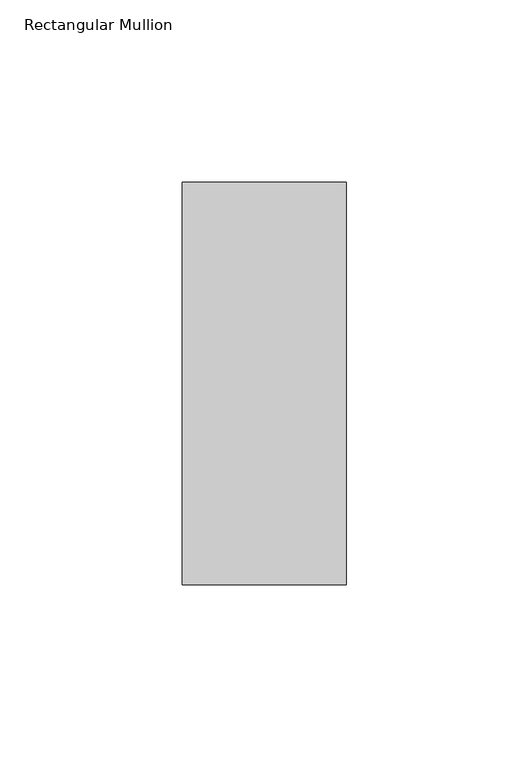
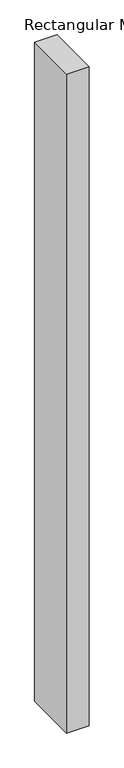
"""IFC4 building model written with IfcOpenShell, lengths in millimetres: member geometry, Rectangular Mullion."""

from ifc_helpers import new_model, si_unit, frame, origin, place, context, project, spatial, polyline, outline, extrude, source, transform, mapped, element, save


def rectangular_mullion_b4bfe86e(model_context):
    return source(origin(), model_context, "Body", "SweptSolid", [
        extrude(outline(polyline([(-45.0, 70.7), (0.0, 70.7), (0.0, -39.7), (-45.0, -39.7), (-45.0, 70.7)])), frame((0.0, 0.0, -1394.2628906), z_axis=(0.0, 0.0, 1.0), x_axis=(1.0, 0.0, 0.0)), (0.0, 0.0, 1.0), 1394.2628906),
    ])


if __name__ == "__main__":
    model = new_model("IFC4")
    model_context = context("Model", 3, world=origin())
    ifc_project = project(units=[si_unit("LENGTHUNIT", "METRE", prefix="MILLI")], contexts=[model_context])
    site = spatial("IfcSite", under=ifc_project)
    building = spatial("IfcBuilding", under=site)
    placement = place(None, origin())
    rectangular_mullion_shape = rectangular_mullion_b4bfe86e(model_context)
    element("IfcMember", 1, ObjectType="Rectangular Mullion", at=placement, inside=building, context=model_context, shape_type="MappedRepresentation", body=[
        mapped(rectangular_mullion_shape, transform((0.0, 0.0, 0.0), x_axis=(1.0, 0.0, 0.0), y_axis=(0.0, 1.0, 0.0), z_axis=(0.0, 0.0, 1.0))),
    ])
    save(model, "model.ifc")
